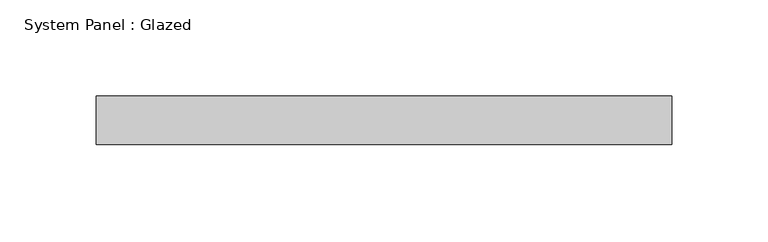
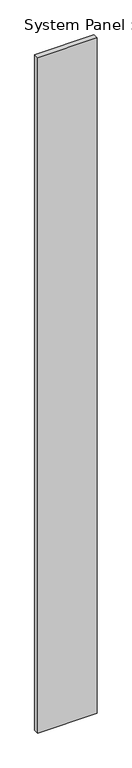
"""IFC4 building model written with IfcOpenShell, lengths in millimetres: plate geometry, System Panel : Glazed."""

import ifcopenshell
import ifcopenshell.guid

model = None  # the IFC model being written
_history = None  # IfcOwnerHistory: only IFC2X3 demands one
_inside = {}  # id of a spatial element -> (the spatial element, [elements in it])
_under = {}  # id of a project, library or spatial element -> (it, [spatial elements below it])
_declared = {}  # id of a project -> (the project, [libraries it declares])
_typed = {}  # id of a type object -> (the type object, [elements of that type])
_made_of = {}  # id of a material, layer set ... -> (it, [elements and type objects made of it])


def new_model(schema):
    """Start an empty IFC model of exactly this schema.

    Asked for "IFC4X3", IfcOpenShell would pick the latest addendum, in which some entities
    have other attributes; the version numbers below select the first issue.
    IFC2X3 requires an IfcOwnerHistory on every rooted entity: one is made here for all.
    """
    global model, _history
    if schema == "IFC4X3":
        model = ifcopenshell.file(schema_version=(4, 3, 0, 0))
    else:
        model = ifcopenshell.file(schema=schema)
    _inside.clear()
    _under.clear()
    _declared.clear()
    _typed.clear()
    _made_of.clear()
    _history = None
    if model.schema == "IFC2X3":
        org = make("IfcOrganization", Name="unknown")
        user = make(
            "IfcPersonAndOrganization",
            ThePerson=make("IfcPerson", FamilyName="unknown"),
            TheOrganization=org,
        )
        app = make(
            "IfcApplication",
            ApplicationDeveloper=org,
            Version="unknown",
            ApplicationFullName="unknown",
            ApplicationIdentifier="unknown",
        )
        _history = make(
            "IfcOwnerHistory",
            OwningUser=user,
            OwningApplication=app,
            ChangeAction="ADDED",
            CreationDate=0,
        )
    return model


def make(cls, **values):
    """One entity of the class cls with the attributes given. An attribute that is None is left unset."""
    return model.create_entity(
        cls, **{name: value for name, value in values.items() if value is not None}
    )


def rooted(cls, **values):
    """An entity with a GlobalId (a new one), such as an element, a storey or a relation."""
    return make(cls, GlobalId=ifcopenshell.guid.new(), OwnerHistory=_history, **values)


def si_unit(unit_type, name, prefix=None):
    """IfcSIUnit, for example si_unit("LENGTHUNIT", "METRE", prefix="MILLI")."""
    return make("IfcSIUnit", UnitType=unit_type, Prefix=prefix, Name=name)


def assignment(units):
    """IfcUnitAssignment: the units of a project."""
    return None if units is None else make("IfcUnitAssignment", Units=units)


def point(xyz):
    """IfcCartesianPoint."""
    return None if xyz is None else make("IfcCartesianPoint", Coordinates=xyz)


def direction(xyz):
    """IfcDirection."""
    return None if xyz is None else make("IfcDirection", DirectionRatios=xyz)


def frame(location, z_axis=None, x_axis=None):
    """IfcAxis2Placement3D, a coordinate frame: its origin and axes. An axis left out is left unset."""
    return make(
        "IfcAxis2Placement3D",
        Location=point(location),
        Axis=direction(z_axis),
        RefDirection=direction(x_axis),
    )


def origin():
    """The frame at (0, 0, 0) with its axes left unset."""
    return frame((0.0, 0.0, 0.0))


def origin_with_axes():
    """The frame at (0, 0, 0) with the z axis (0, 0, 1) and the x axis (1, 0, 0) written out."""
    return frame((0.0, 0.0, 0.0), z_axis=(0.0, 0.0, 1.0), x_axis=(1.0, 0.0, 0.0))


def place(relative_to, where):
    """IfcLocalPlacement: puts the frame where relative to a parent placement (None: the world)."""
    return make(
        "IfcLocalPlacement", PlacementRelTo=relative_to, RelativePlacement=where
    )


def context(
    kind, dimensions, precision=None, world=None, true_north=None, identifier=None
):
    """IfcGeometricRepresentationContext, for example the 3D "Model" context."""
    return make(
        "IfcGeometricRepresentationContext",
        ContextIdentifier=identifier,
        ContextType=kind,
        CoordinateSpaceDimension=dimensions,
        Precision=precision,
        WorldCoordinateSystem=world,
        TrueNorth=true_north,
    )


def project(units=None, contexts=None):
    """IfcProject with its units and contexts."""
    return rooted(
        "IfcProject",
        Name="project",
        RepresentationContexts=contexts,
        UnitsInContext=assignment(units),
    )


def spatial(cls, under=None, at=None, **own):
    """A site, building, storey or space (cls), placed at a placement, below another one or the project."""
    s = rooted(cls, ObjectPlacement=at, **own)
    if under is not None:
        _under.setdefault(under.id(), (under, []))[1].append(s)
    return s


def polyline(points):
    """IfcPolyline through the points."""
    return make("IfcPolyline", Points=[point(p) for p in points])


def outline(outer, holes=None, kind="AREA"):
    """IfcArbitraryClosedProfileDef: a profile drawn as a closed curve; with holes, ...WithVoids."""
    if holes is None:
        return make("IfcArbitraryClosedProfileDef", ProfileType=kind, OuterCurve=outer)
    return make(
        "IfcArbitraryProfileDefWithVoids",
        ProfileType=kind,
        OuterCurve=outer,
        InnerCurves=holes,
    )


def extrude(swept, where, along, depth):
    """IfcExtrudedAreaSolid: the profile swept, set in the frame where, extruded along a direction by depth."""
    return make(
        "IfcExtrudedAreaSolid",
        SweptArea=swept,
        Position=where,
        ExtrudedDirection=direction(along),
        Depth=depth,
    )


def shape(context_of_items, identifier, shape_type, items):
    """IfcShapeRepresentation: the items that make up one representation, for example the "Body"."""
    return make(
        "IfcShapeRepresentation",
        ContextOfItems=context_of_items,
        RepresentationIdentifier=identifier,
        RepresentationType=shape_type,
        Items=items,
    )


def source(mapping_origin, context_of_items, identifier, shape_type, items):
    """IfcRepresentationMap: a shape defined once, which mapped items show again and again."""
    return make(
        "IfcRepresentationMap",
        MappingOrigin=mapping_origin,
        MappedRepresentation=shape(context_of_items, identifier, shape_type, items),
    )


def transform(
    local_origin,
    x_axis=None,
    y_axis=None,
    z_axis=None,
    scale=None,
    scale2=None,
    scale3=None,
    uniform=True,
):
    """IfcCartesianTransformationOperator3D, or its non-uniform kind. x_axis, y_axis, z_axis: its Axis1, 2, 3."""
    if uniform:
        return make(
            "IfcCartesianTransformationOperator3D",
            Axis1=direction(x_axis),
            Axis2=direction(y_axis),
            LocalOrigin=point(local_origin),
            Scale=scale,
            Axis3=direction(z_axis),
        )
    return make(
        "IfcCartesianTransformationOperator3DnonUniform",
        Axis1=direction(x_axis),
        Axis2=direction(y_axis),
        LocalOrigin=point(local_origin),
        Scale=scale,
        Axis3=direction(z_axis),
        Scale2=scale2,
        Scale3=scale3,
    )


def mapped(mapping_source, mapping_target):
    """IfcMappedItem: shows the shape of a source again, moved by a transform."""
    return make(
        "IfcMappedItem", MappingSource=mapping_source, MappingTarget=mapping_target
    )


def made_of(thing, what):
    """Note that an element or type object is made of a material, layer set ...; save() writes the relation."""
    if what is not None:
        _made_of.setdefault(what.id(), (what, []))[1].append(thing)
    return thing


def element(
    cls,
    number,
    at=None,
    inside=None,
    cuts=None,
    type_object=None,
    material=None,
    context=None,
    identifier="Body",
    shape_type=None,
    held_by="IfcProductDefinitionShape",
    body=None,
    shapes=None,
    **own,
):
    """One element of the class cls, such as IfcWall. Its Tag is "e" and its number.

    at: its placement. inside: the storey or other place that contains it. cuts: it is an
    opening in that element (IfcRelVoidsElement). A single representation is given by context,
    identifier, shape_type and body (its items); several are given by shapes. held_by: the class
    of the entity that holds the representations. save() writes the other relations.
    """
    e = rooted(cls, Tag="e%d" % number, ObjectPlacement=at, **own)
    if body is not None:
        shapes = [shape(context, identifier, shape_type, body)]
    if shapes is not None:
        e.Representation = make(held_by, Representations=shapes)
    if inside is not None:
        _inside.setdefault(inside.id(), (inside, []))[1].append(e)
    if cuts is not None:
        rooted(
            "IfcRelVoidsElement", RelatingBuildingElement=cuts, RelatedOpeningElement=e
        )
    if type_object is not None:
        _typed.setdefault(type_object.id(), (type_object, []))[1].append(e)
    return made_of(e, material)


def aggregate(whole, parts):
    """IfcRelAggregates: a whole, such as a stair, and the parts it consists of."""
    return rooted("IfcRelAggregates", RelatingObject=whole, RelatedObjects=parts)


def save(model, path):
    """Write the relations noted so far, then the file.

    IfcRelAggregates (storeys below a building ...), IfcRelContainedInSpatialStructure (elements
    in a storey), IfcRelDefinesByType, IfcRelAssociatesMaterial and IfcRelDeclares: one each for
    every whole, place, type object, material and project.
    """
    for whole, parts in _under.values():
        aggregate(whole, parts)
    for where, things in _inside.values():
        rooted(
            "IfcRelContainedInSpatialStructure",
            RelatedElements=things,
            RelatingStructure=where,
        )
    for kind, things in _typed.values():
        rooted("IfcRelDefinesByType", RelatedObjects=things, RelatingType=kind)
    for what, things in _made_of.values():
        rooted("IfcRelAssociatesMaterial", RelatedObjects=things, RelatingMaterial=what)
    for by, libraries in _declared.values():
        rooted("IfcRelDeclares", RelatingContext=by, RelatedDefinitions=libraries)
    model.write(path)


def system_panel_glazed_394d26c6(model_context):
    return source(origin(), model_context, "Body", "SweptSolid", [
        extrude(outline(polyline([(149.7067547, 19.05), (-149.7067547, 19.05), (-149.7067547, 44.45), (149.7067547, 44.45), (149.7067547, 19.05)])), origin_with_axes(), (0.0, 0.0, 1.0), 3594.1),
    ])


if __name__ == "__main__":
    model = new_model("IFC4")
    model_context = context("Model", 3, world=origin())
    ifc_project = project(units=[si_unit("LENGTHUNIT", "METRE", prefix="MILLI")], contexts=[model_context])
    site = spatial("IfcSite", under=ifc_project)
    building = spatial("IfcBuilding", under=site)
    placement = place(None, origin())
    system_panel_glazed_shape = system_panel_glazed_394d26c6(model_context)
    element("IfcPlate", 1, ObjectType="System Panel : Glazed", at=placement, inside=building, context=model_context, shape_type="MappedRepresentation", body=[
        mapped(system_panel_glazed_shape, transform((0.0, 0.0, 0.0), x_axis=(1.0, 0.0, 0.0), y_axis=(0.0, 1.0, 0.0), z_axis=(0.0, 0.0, 1.0))),
    ])
    save(model, "model.ifc")
